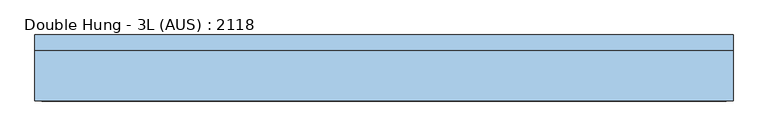
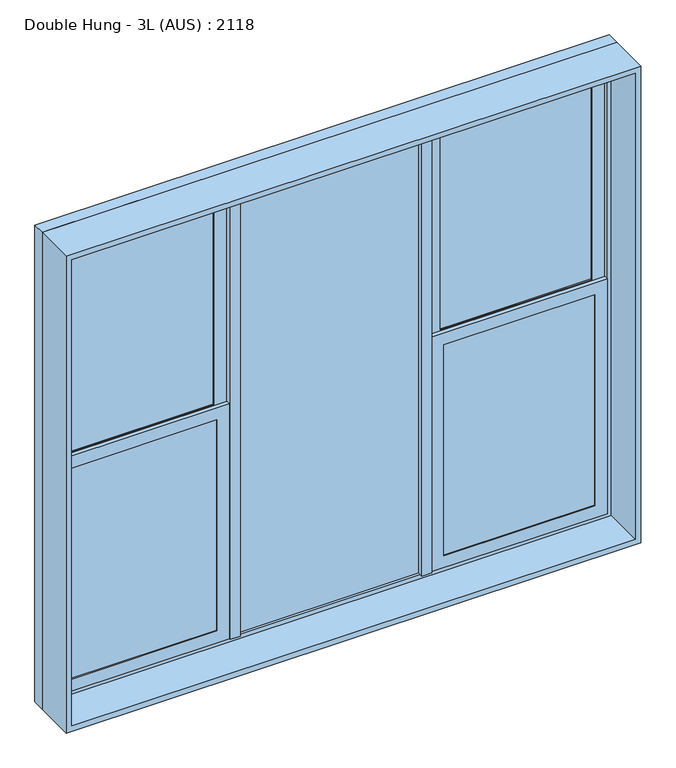
"""IFC4 building model written with IfcOpenShell, lengths in millimetres: window geometry, Double Hung - 3L (AUS) : 2118."""

from ifc_helpers import new_model, si_unit, frame, origin, place, context, project, spatial, polyline, outline, extrude, source, transform, mapped, element, save


def double_hung_3l_aus_2118_31b5c474(model_context):
    return source(origin(), model_context, "Body", "SweptSolid", [
        extrude(outline(polyline([(-624.326241, 25.5), (-80.6595744, 25.5), (-80.6595744, 19.5), (-624.326241, 19.5), (-624.326241, 25.5)])), frame((0.0, 0.0, 1827.5), z_axis=(0.0, 0.0, 1.0), x_axis=(1.0, 0.0, 0.0)), (0.0, 0.0, 1.0), 801.5),
        extrude(outline(polyline([(-624.326241, 5.4437379), (-80.6595744, 5.4437379), (-80.6595744, -0.5562621), (-624.326241, -0.5562621), (-624.326241, 5.4437379)])), frame((0.0, 0.0, 981.0), z_axis=(0.0, 0.0, 1.0), x_axis=(1.0, 0.0, 0.0)), (0.0, 0.0, 1.0), 801.5),
        extrude(outline(polyline([(652.0070923, 9.471869), (0.3404256, 9.471869), (0.3404256, 15.471869), (652.0070923, 15.471869), (652.0070923, 9.471869)])), frame((0.0, 0.0, 936.0), z_axis=(0.0, 0.0, 1.0), x_axis=(1.0, 0.0, 0.0)), (0.0, 0.0, 1.0), 1738.0),
        extrude(outline(polyline([(1782.5, -669.326241), (1782.5, -35.6595744), (2674.0, -35.6595744), (2674.0, -669.326241), (1782.5, -669.326241)]), holes=[polyline([(2629.0, -624.326241), (2629.0, -80.6595744), (1827.5, -80.6595744), (1827.5, -624.326241), (2629.0, -624.326241)])]), frame((0.0, 15.0, 0.0), z_axis=(0.0, 1.0, 0.0), x_axis=(0.0, 0.0, 1.0)), (0.0, 0.0, 1.0), 15.0),
        extrude(outline(polyline([(1827.5, -35.6595744), (1827.5, -669.326241), (936.0, -669.326241), (936.0, -35.6595744), (1827.5, -35.6595744)]), holes=[polyline([(981.0, -80.6595744), (981.0, -624.326241), (1782.5, -624.326241), (1782.5, -80.6595744), (981.0, -80.6595744)])]), frame((0.0, -5.0562621, 0.0), z_axis=(0.0, 1.0, 0.0), x_axis=(0.0, 0.0, 1.0)), (0.0, 0.0, 1.0), 15.0),
        extrude(outline(polyline([(0.3404256, -10.028131), (-35.6595744, -10.028131), (-35.6595744, 34.971869), (0.3404256, 34.971869), (0.3404256, -10.028131)])), frame((0.0, 0.0, 936.0), z_axis=(0.0, 0.0, 1.0), x_axis=(1.0, 0.0, 0.0)), (0.0, 0.0, 1.0), 1738.0),
        extrude(outline(polyline([(733.0070923, 25.5), (1276.673759, 25.5), (1276.673759, 19.5), (733.0070923, 19.5), (733.0070923, 25.5)])), frame((0.0, 0.0, 1827.5), z_axis=(0.0, 0.0, 1.0), x_axis=(1.0, 0.0, 0.0)), (0.0, 0.0, 1.0), 801.5),
        extrude(outline(polyline([(733.0070923, 5.4437379), (1276.673759, 5.4437379), (1276.673759, -0.5562621), (733.0070923, -0.5562621), (733.0070923, 5.4437379)])), frame((0.0, 0.0, 981.0), z_axis=(0.0, 0.0, 1.0), x_axis=(1.0, 0.0, 0.0)), (0.0, 0.0, 1.0), 801.5),
        extrude(outline(polyline([(1827.5, 1321.673759), (1827.5, 688.0070923), (936.0, 688.0070923), (936.0, 1321.673759), (1827.5, 1321.673759)]), holes=[polyline([(981.0, 1276.673759), (981.0, 733.0070923), (1782.5, 733.0070923), (1782.5, 1276.673759), (981.0, 1276.673759)])]), frame((0.0, -5.0562621, 0.0), z_axis=(0.0, 1.0, 0.0), x_axis=(0.0, 0.0, 1.0)), (0.0, 0.0, 1.0), 15.0),
        extrude(outline(polyline([(1782.5, 688.0070923), (1782.5, 1321.673759), (2674.0, 1321.673759), (2674.0, 688.0070923), (1782.5, 688.0070923)]), holes=[polyline([(2629.0, 733.0070923), (2629.0, 1276.673759), (1827.5, 1276.673759), (1827.5, 733.0070923), (2629.0, 733.0070923)])]), frame((0.0, 15.0, 0.0), z_axis=(0.0, 1.0, 0.0), x_axis=(0.0, 0.0, 1.0)), (0.0, 0.0, 1.0), 15.0),
        extrude(outline(polyline([(688.0070923, -10.028131), (652.0070923, -10.028131), (652.0070923, 34.971869), (688.0070923, 34.971869), (688.0070923, -10.028131)])), frame((0.0, 0.0, 936.0), z_axis=(0.0, 0.0, 1.0), x_axis=(1.0, 0.0, 0.0)), (0.0, 0.0, 1.0), 1738.0),
        extrude(outline(polyline([(900.0, -705.326241), (900.0, 1357.673759), (2710.0, 1357.673759), (2710.0, -705.326241), (900.0, -705.326241)]), holes=[polyline([(2674.0, -669.326241), (2674.0, 1321.673759), (936.0, 1321.673759), (936.0, -669.326241), (2674.0, -669.326241)])]), frame((0.0, 0.0, 0.0), z_axis=(0.0, 1.0, 0.0), x_axis=(0.0, 0.0, 1.0)), (0.0, 0.0, 1.0), 45.0),
        extrude(outline(polyline([(900.0, -705.326241), (900.0, 1357.673759), (2710.0, 1357.673759), (2710.0, -705.326241), (900.0, -705.326241)]), holes=[polyline([(2690.0, -685.326241), (2690.0, 1337.673759), (920.0, 1337.673759), (920.0, -685.326241), (2690.0, -685.326241)])]), frame((0.0, -150.0, 0.0), z_axis=(0.0, 1.0, 0.0), x_axis=(0.0, 0.0, 1.0)), (0.0, 0.0, 1.0), 150.0),
    ])


if __name__ == "__main__":
    model = new_model("IFC4")
    model_context = context("Model", 3, world=origin())
    ifc_project = project(units=[si_unit("LENGTHUNIT", "METRE", prefix="MILLI")], contexts=[model_context])
    site = spatial("IfcSite", under=ifc_project)
    building = spatial("IfcBuilding", under=site)
    placement = place(None, origin())
    double_hung_3l_aus_2118_shape = double_hung_3l_aus_2118_31b5c474(model_context)
    element("IfcWindow", 1, ObjectType="Double Hung - 3L (AUS) : 2118", at=placement, inside=building, context=model_context, shape_type="MappedRepresentation", body=[
        mapped(double_hung_3l_aus_2118_shape, transform((0.0, 0.0, 0.0), x_axis=(1.0, 0.0, 0.0), y_axis=(0.0, 1.0, 0.0), z_axis=(0.0, 0.0, 1.0))),
    ])
    save(model, "model.ifc")
